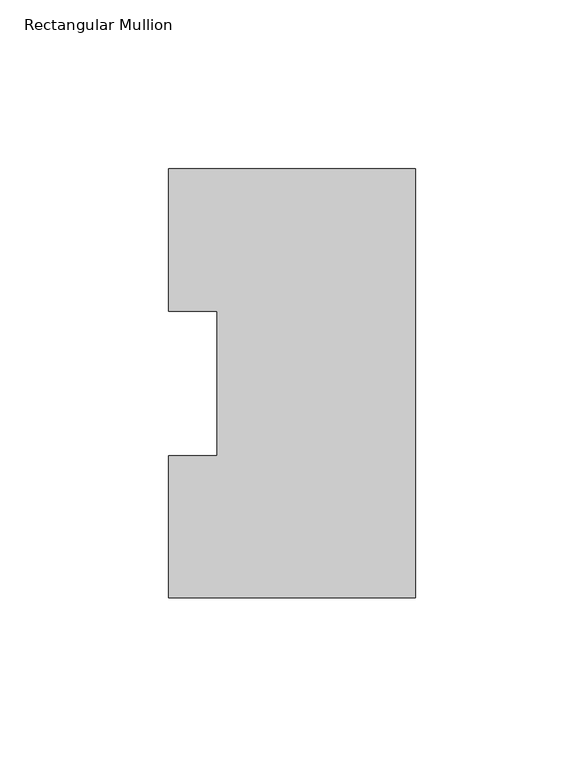
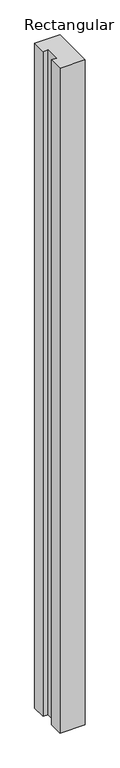
"""IFC4 building model written with IfcOpenShell, lengths in millimetres: member geometry, Rectangular Mullion."""

import ifcopenshell
import ifcopenshell.guid

model = None  # the IFC model being written
_history = None  # IfcOwnerHistory: only IFC2X3 demands one
_inside = {}  # id of a spatial element -> (the spatial element, [elements in it])
_under = {}  # id of a project, library or spatial element -> (it, [spatial elements below it])
_declared = {}  # id of a project -> (the project, [libraries it declares])
_typed = {}  # id of a type object -> (the type object, [elements of that type])
_made_of = {}  # id of a material, layer set ... -> (it, [elements and type objects made of it])


def new_model(schema):
    """Start an empty IFC model of exactly this schema.

    Asked for "IFC4X3", IfcOpenShell would pick the latest addendum, in which some entities
    have other attributes; the version numbers below select the first issue.
    IFC2X3 requires an IfcOwnerHistory on every rooted entity: one is made here for all.
    """
    global model, _history
    if schema == "IFC4X3":
        model = ifcopenshell.file(schema_version=(4, 3, 0, 0))
    else:
        model = ifcopenshell.file(schema=schema)
    _inside.clear()
    _under.clear()
    _declared.clear()
    _typed.clear()
    _made_of.clear()
    _history = None
    if model.schema == "IFC2X3":
        org = make("IfcOrganization", Name="unknown")
        user = make(
            "IfcPersonAndOrganization",
            ThePerson=make("IfcPerson", FamilyName="unknown"),
            TheOrganization=org,
        )
        app = make(
            "IfcApplication",
            ApplicationDeveloper=org,
            Version="unknown",
            ApplicationFullName="unknown",
            ApplicationIdentifier="unknown",
        )
        _history = make(
            "IfcOwnerHistory",
            OwningUser=user,
            OwningApplication=app,
            ChangeAction="ADDED",
            CreationDate=0,
        )
    return model


def make(cls, **values):
    """One entity of the class cls with the attributes given. An attribute that is None is left unset."""
    return model.create_entity(
        cls, **{name: value for name, value in values.items() if value is not None}
    )


def rooted(cls, **values):
    """An entity with a GlobalId (a new one), such as an element, a storey or a relation."""
    return make(cls, GlobalId=ifcopenshell.guid.new(), OwnerHistory=_history, **values)


def si_unit(unit_type, name, prefix=None):
    """IfcSIUnit, for example si_unit("LENGTHUNIT", "METRE", prefix="MILLI")."""
    return make("IfcSIUnit", UnitType=unit_type, Prefix=prefix, Name=name)


def assignment(units):
    """IfcUnitAssignment: the units of a project."""
    return None if units is None else make("IfcUnitAssignment", Units=units)


def point(xyz):
    """IfcCartesianPoint."""
    return None if xyz is None else make("IfcCartesianPoint", Coordinates=xyz)


def direction(xyz):
    """IfcDirection."""
    return None if xyz is None else make("IfcDirection", DirectionRatios=xyz)


def frame(location, z_axis=None, x_axis=None):
    """IfcAxis2Placement3D, a coordinate frame: its origin and axes. An axis left out is left unset."""
    return make(
        "IfcAxis2Placement3D",
        Location=point(location),
        Axis=direction(z_axis),
        RefDirection=direction(x_axis),
    )


def origin():
    """The frame at (0, 0, 0) with its axes left unset."""
    return frame((0.0, 0.0, 0.0))


def place(relative_to, where):
    """IfcLocalPlacement: puts the frame where relative to a parent placement (None: the world)."""
    return make(
        "IfcLocalPlacement", PlacementRelTo=relative_to, RelativePlacement=where
    )


def context(
    kind, dimensions, precision=None, world=None, true_north=None, identifier=None
):
    """IfcGeometricRepresentationContext, for example the 3D "Model" context."""
    return make(
        "IfcGeometricRepresentationContext",
        ContextIdentifier=identifier,
        ContextType=kind,
        CoordinateSpaceDimension=dimensions,
        Precision=precision,
        WorldCoordinateSystem=world,
        TrueNorth=true_north,
    )


def project(units=None, contexts=None):
    """IfcProject with its units and contexts."""
    return rooted(
        "IfcProject",
        Name="project",
        RepresentationContexts=contexts,
        UnitsInContext=assignment(units),
    )


def spatial(cls, under=None, at=None, **own):
    """A site, building, storey or space (cls), placed at a placement, below another one or the project."""
    s = rooted(cls, ObjectPlacement=at, **own)
    if under is not None:
        _under.setdefault(under.id(), (under, []))[1].append(s)
    return s


def polyline(points):
    """IfcPolyline through the points."""
    return make("IfcPolyline", Points=[point(p) for p in points])


def outline(outer, holes=None, kind="AREA"):
    """IfcArbitraryClosedProfileDef: a profile drawn as a closed curve; with holes, ...WithVoids."""
    if holes is None:
        return make("IfcArbitraryClosedProfileDef", ProfileType=kind, OuterCurve=outer)
    return make(
        "IfcArbitraryProfileDefWithVoids",
        ProfileType=kind,
        OuterCurve=outer,
        InnerCurves=holes,
    )


def extrude(swept, where, along, depth):
    """IfcExtrudedAreaSolid: the profile swept, set in the frame where, extruded along a direction by depth."""
    return make(
        "IfcExtrudedAreaSolid",
        SweptArea=swept,
        Position=where,
        ExtrudedDirection=direction(along),
        Depth=depth,
    )


def shape(context_of_items, identifier, shape_type, items):
    """IfcShapeRepresentation: the items that make up one representation, for example the "Body"."""
    return make(
        "IfcShapeRepresentation",
        ContextOfItems=context_of_items,
        RepresentationIdentifier=identifier,
        RepresentationType=shape_type,
        Items=items,
    )


def source(mapping_origin, context_of_items, identifier, shape_type, items):
    """IfcRepresentationMap: a shape defined once, which mapped items show again and again."""
    return make(
        "IfcRepresentationMap",
        MappingOrigin=mapping_origin,
        MappedRepresentation=shape(context_of_items, identifier, shape_type, items),
    )


def transform(
    local_origin,
    x_axis=None,
    y_axis=None,
    z_axis=None,
    scale=None,
    scale2=None,
    scale3=None,
    uniform=True,
):
    """IfcCartesianTransformationOperator3D, or its non-uniform kind. x_axis, y_axis, z_axis: its Axis1, 2, 3."""
    if uniform:
        return make(
            "IfcCartesianTransformationOperator3D",
            Axis1=direction(x_axis),
            Axis2=direction(y_axis),
            LocalOrigin=point(local_origin),
            Scale=scale,
            Axis3=direction(z_axis),
        )
    return make(
        "IfcCartesianTransformationOperator3DnonUniform",
        Axis1=direction(x_axis),
        Axis2=direction(y_axis),
        LocalOrigin=point(local_origin),
        Scale=scale,
        Axis3=direction(z_axis),
        Scale2=scale2,
        Scale3=scale3,
    )


def mapped(mapping_source, mapping_target):
    """IfcMappedItem: shows the shape of a source again, moved by a transform."""
    return make(
        "IfcMappedItem", MappingSource=mapping_source, MappingTarget=mapping_target
    )


def made_of(thing, what):
    """Note that an element or type object is made of a material, layer set ...; save() writes the relation."""
    if what is not None:
        _made_of.setdefault(what.id(), (what, []))[1].append(thing)
    return thing


def element(
    cls,
    number,
    at=None,
    inside=None,
    cuts=None,
    type_object=None,
    material=None,
    context=None,
    identifier="Body",
    shape_type=None,
    held_by="IfcProductDefinitionShape",
    body=None,
    shapes=None,
    **own,
):
    """One element of the class cls, such as IfcWall. Its Tag is "e" and its number.

    at: its placement. inside: the storey or other place that contains it. cuts: it is an
    opening in that element (IfcRelVoidsElement). A single representation is given by context,
    identifier, shape_type and body (its items); several are given by shapes. held_by: the class
    of the entity that holds the representations. save() writes the other relations.
    """
    e = rooted(cls, Tag="e%d" % number, ObjectPlacement=at, **own)
    if body is not None:
        shapes = [shape(context, identifier, shape_type, body)]
    if shapes is not None:
        e.Representation = make(held_by, Representations=shapes)
    if inside is not None:
        _inside.setdefault(inside.id(), (inside, []))[1].append(e)
    if cuts is not None:
        rooted(
            "IfcRelVoidsElement", RelatingBuildingElement=cuts, RelatedOpeningElement=e
        )
    if type_object is not None:
        _typed.setdefault(type_object.id(), (type_object, []))[1].append(e)
    return made_of(e, material)


def aggregate(whole, parts):
    """IfcRelAggregates: a whole, such as a stair, and the parts it consists of."""
    return rooted("IfcRelAggregates", RelatingObject=whole, RelatedObjects=parts)


def save(model, path):
    """Write the relations noted so far, then the file.

    IfcRelAggregates (storeys below a building ...), IfcRelContainedInSpatialStructure (elements
    in a storey), IfcRelDefinesByType, IfcRelAssociatesMaterial and IfcRelDeclares: one each for
    every whole, place, type object, material and project.
    """
    for whole, parts in _under.values():
        aggregate(whole, parts)
    for where, things in _inside.values():
        rooted(
            "IfcRelContainedInSpatialStructure",
            RelatedElements=things,
            RelatingStructure=where,
        )
    for kind, things in _typed.values():
        rooted("IfcRelDefinesByType", RelatedObjects=things, RelatingType=kind)
    for what, things in _made_of.values():
        rooted("IfcRelAssociatesMaterial", RelatedObjects=things, RelatingMaterial=what)
    for by, libraries in _declared.values():
        rooted("IfcRelDeclares", RelatingContext=by, RelatedDefinitions=libraries)
    model.write(path)


def rectangular_mullion_8e35b975(model_context):
    return source(origin(), model_context, "Body", "SweptSolid", [
        extrude(outline(polyline([(0.0, 126.7086918), (0.0, -0.2913082), (-73.025, -0.2913082), (-73.025, 41.7837928), (-58.7375, 41.7837928), (-58.7375, 84.6335937), (-73.025, 84.6335937), (-73.025, 126.7086918), (0.0, 126.7086918)])), frame((0.0, 0.0, -2044.7176747), z_axis=(0.0, 0.0, 1.0), x_axis=(1.0, 0.0, 0.0)), (0.0, 0.0, 1.0), 2044.7176747),
    ])


if __name__ == "__main__":
    model = new_model("IFC4")
    model_context = context("Model", 3, world=origin())
    ifc_project = project(units=[si_unit("LENGTHUNIT", "METRE", prefix="MILLI")], contexts=[model_context])
    site = spatial("IfcSite", under=ifc_project)
    building = spatial("IfcBuilding", under=site)
    placement = place(None, origin())
    rectangular_mullion_shape = rectangular_mullion_8e35b975(model_context)
    element("IfcMember", 1, ObjectType="Rectangular Mullion", at=placement, inside=building, context=model_context, shape_type="MappedRepresentation", body=[
        mapped(rectangular_mullion_shape, transform((0.0, 0.0, 0.0), x_axis=(1.0, 0.0, 0.0), y_axis=(0.0, 1.0, 0.0), z_axis=(0.0, 0.0, 1.0))),
    ])
    save(model, "model.ifc")
